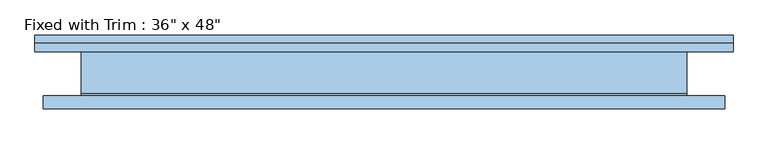
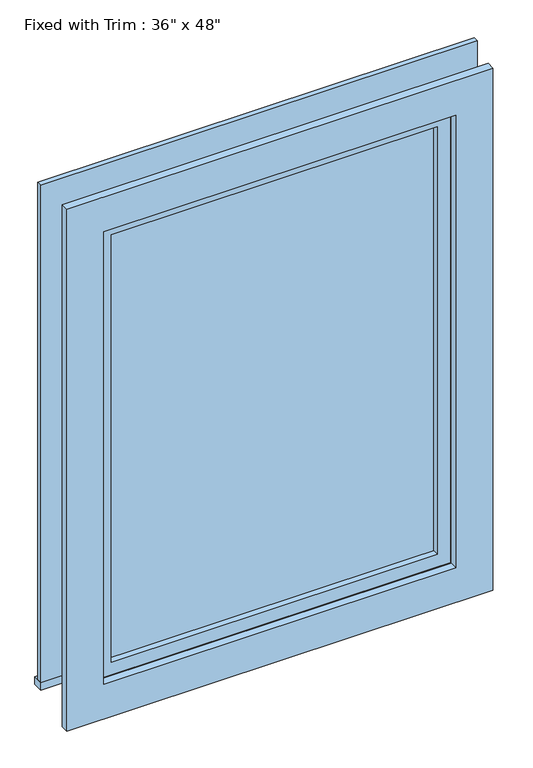
"""IFC4 building model written with IfcOpenShell, lengths in millimetres: window geometry."""

from ifc_helpers import new_model, si_unit, frame, origin, place, context, project, spatial, polyline, outline, extrude, source, transform, mapped, element, save


def window_158025df(model_context):
    return source(origin(), model_context, "Body", "SweptSolid", [
        extrude(outline(polyline([(-565.15, 58.7375), (488.95, 58.7375), (488.95, 33.3375), (-565.15, 33.3375), (-565.15, 58.7375)])), frame((0.0, 0.0, 914.4), z_axis=(0.0, 0.0, 1.0), x_axis=(1.0, 0.0, 0.0)), (0.0, 0.0, 1.0), 19.05),
        extrude(outline(polyline([(2114.55, -476.25), (2114.55, 400.05), (933.45, 400.05), (933.45, 488.95), (2203.45, 488.95), (2203.45, -565.15), (933.45, -565.15), (933.45, -476.25), (2114.55, -476.25)])), frame((0.0, 33.3375, 0.0), z_axis=(0.0, 1.0, 0.0), x_axis=(0.0, 0.0, 1.0)), (0.0, 0.0, 1.0), 12.7),
        extrude(outline(polyline([(2190.75, 476.25), (2190.75, -552.45), (857.25, -552.45), (857.25, 476.25), (2190.75, 476.25)]), holes=[polyline([(2101.85, 387.35), (946.15, 387.35), (946.15, -463.55), (2101.85, -463.55), (2101.85, 387.35)])]), frame((0.0, -52.3875, 0.0), z_axis=(0.0, 1.0, 0.0), x_axis=(0.0, 0.0, 1.0)), (0.0, 0.0, 1.0), 19.05),
        extrude(outline(polyline([(355.6, -14.2875), (-431.8, -14.2875), (-431.8, -1.5875), (355.6, -1.5875), (355.6, -14.2875)])), frame((0.0, 0.0, 977.9), z_axis=(0.0, 0.0, 1.0), x_axis=(1.0, 0.0, 0.0)), (0.0, 0.0, 1.0), 1092.2),
        extrude(outline(polyline([(2114.55, -476.25), (933.45, -476.25), (933.45, 400.05), (2114.55, 400.05), (2114.55, -476.25)]), holes=[polyline([(2070.1, -431.8), (2070.1, 355.6), (977.9, 355.6), (977.9, -431.8), (2070.1, -431.8)])]), frame((0.0, -30.1625, 0.0), z_axis=(0.0, 1.0, 0.0), x_axis=(0.0, 0.0, 1.0)), (0.0, 0.0, 1.0), 44.45),
        extrude(outline(polyline([(2133.6, -495.3), (914.4, -495.3), (914.4, 419.1), (2133.6, 419.1), (2133.6, -495.3)]), holes=[polyline([(2101.85, -463.55), (2101.85, 387.35), (946.15, 387.35), (946.15, -463.55), (2101.85, -463.55)])]), frame((0.0, -33.3375, 0.0), z_axis=(0.0, 1.0, 0.0), x_axis=(0.0, 0.0, 1.0)), (0.0, 0.0, 1.0), 3.175),
        extrude(outline(polyline([(2133.6, 419.1), (2133.6, -495.3), (914.4, -495.3), (914.4, 419.1), (2133.6, 419.1)]), holes=[polyline([(2114.55, 400.05), (933.45, 400.05), (933.45, -476.25), (2114.55, -476.25), (2114.55, 400.05)])]), frame((0.0, -30.1625, 0.0), z_axis=(0.0, 1.0, 0.0), x_axis=(0.0, 0.0, 1.0)), (0.0, 0.0, 1.0), 63.5),
    ])


if __name__ == "__main__":
    model = new_model("IFC4")
    model_context = context("Model", 3, world=origin())
    ifc_project = project(units=[si_unit("LENGTHUNIT", "METRE", prefix="MILLI")], contexts=[model_context])
    site = spatial("IfcSite", under=ifc_project)
    building = spatial("IfcBuilding", under=site)
    placement = place(None, origin())
    window_shape = window_158025df(model_context)
    element("IfcWindow", 1, ObjectType="Fixed with Trim : 36\" x 48\"", at=placement, inside=building, context=model_context, shape_type="MappedRepresentation", body=[
        mapped(window_shape, transform((0.0, 0.0, 0.0), x_axis=(1.0, 0.0, 0.0), y_axis=(0.0, 1.0, 0.0), z_axis=(0.0, 0.0, 1.0))),
    ])
    save(model, "model.ifc")
